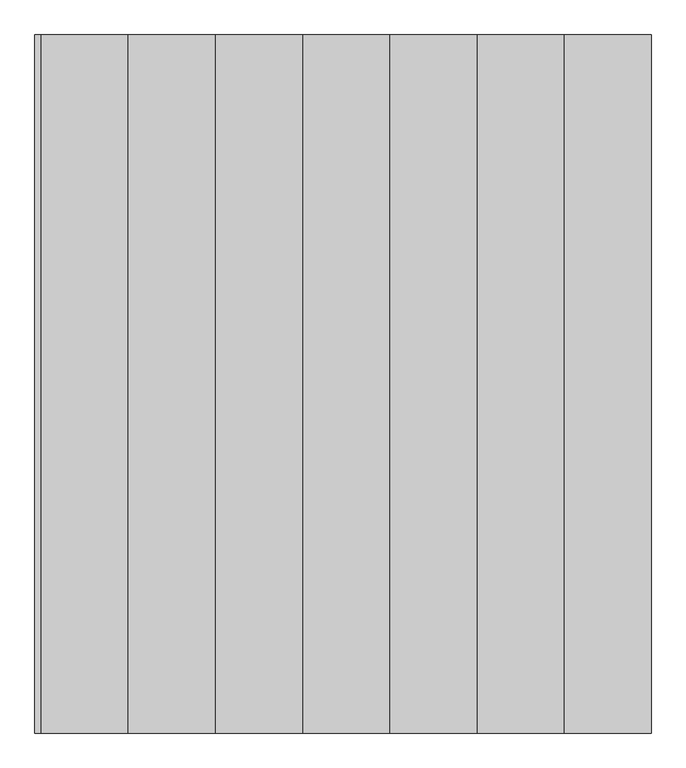
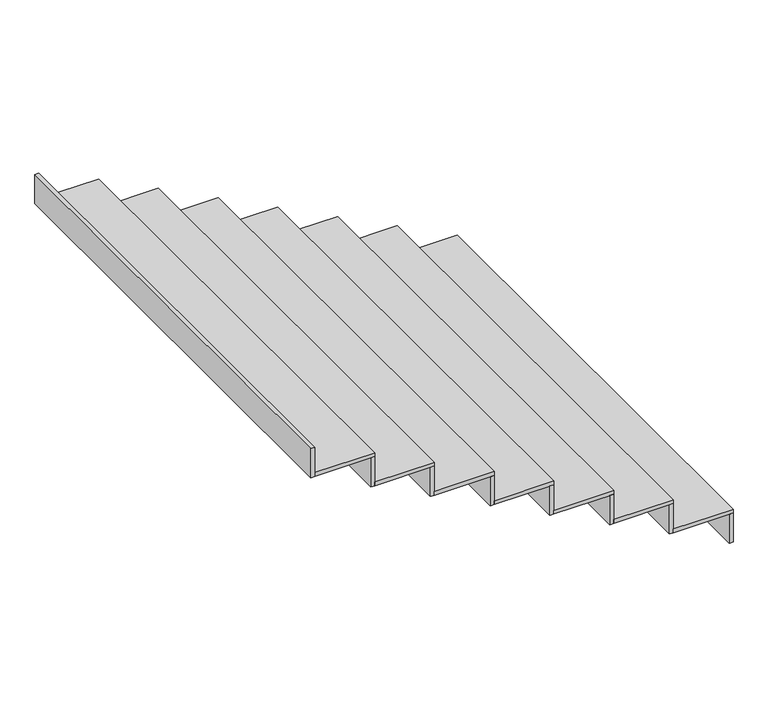
"""IFC4 building model written with IfcOpenShell, lengths in millimetres: stair flight geometry."""

from ifc_helpers import new_model, si_unit, frame, origin, place, context, project, spatial, polyline, outline, extrude, source, transform, mapped, element, save


def stair_flight_cd2ab6dc(model_context):
    return source(origin(), model_context, "Body", "SweptSolid", [
        extrude(outline(polyline([(140353.7432689, 83115.1344505), (140373.7432689, 83115.1344505), (140373.7432689, 80715.1344505), (140353.7432689, 80715.1344505), (140353.7432689, 83115.1344505)])), frame((0.0, 0.0, 5016.6923805), z_axis=(0.0, 0.0, 1.0), x_axis=(1.0, 0.0, 0.0)), (0.0, 0.0, 1.0), 154.8736167),
        extrude(outline(polyline([(140073.7432689, 80715.1344505), (140073.7432689, 83115.1344505), (140373.7432689, 83115.1344505), (140373.7432689, 80715.1344505), (140073.7432689, 80715.1344505)])), frame((0.0, 0.0, 5171.5659972), z_axis=(0.0, 0.0, 1.0), x_axis=(1.0, 0.0, 0.0)), (0.0, 0.0, 1.0), 20.0),
        extrude(outline(polyline([(140053.7432689, 83115.1344505), (140073.7432689, 83115.1344505), (140073.7432689, 80715.1344505), (140053.7432689, 80715.1344505), (140053.7432689, 83115.1344505)])), frame((0.0, 0.0, 5171.5659972), z_axis=(0.0, 0.0, 1.0), x_axis=(1.0, 0.0, 0.0)), (0.0, 0.0, 1.0), 154.8736167),
        extrude(outline(polyline([(139773.7432689, 80715.1344505), (139773.7432689, 83115.1344505), (140073.7432689, 83115.1344505), (140073.7432689, 80715.1344505), (139773.7432689, 80715.1344505)])), frame((0.0, 0.0, 5326.4396139), z_axis=(0.0, 0.0, 1.0), x_axis=(1.0, 0.0, 0.0)), (0.0, 0.0, 1.0), 20.0),
        extrude(outline(polyline([(139753.7432689, 83115.1344505), (139773.7432689, 83115.1344505), (139773.7432689, 80715.1344505), (139753.7432689, 80715.1344505), (139753.7432689, 83115.1344505)])), frame((0.0, 0.0, 5326.4396139), z_axis=(0.0, 0.0, 1.0), x_axis=(1.0, 0.0, 0.0)), (0.0, 0.0, 1.0), 154.8736167),
        extrude(outline(polyline([(139473.7432689, 80715.1344505), (139473.7432689, 83115.1344505), (139773.7432689, 83115.1344505), (139773.7432689, 80715.1344505), (139473.7432689, 80715.1344505)])), frame((0.0, 0.0, 5481.3132306), z_axis=(0.0, 0.0, 1.0), x_axis=(1.0, 0.0, 0.0)), (0.0, 0.0, 1.0), 20.0),
        extrude(outline(polyline([(139453.7432689, 83115.1344505), (139473.7432689, 83115.1344505), (139473.7432689, 80715.1344505), (139453.7432689, 80715.1344505), (139453.7432689, 83115.1344505)])), frame((0.0, 0.0, 5481.3132306), z_axis=(0.0, 0.0, 1.0), x_axis=(1.0, 0.0, 0.0)), (0.0, 0.0, 1.0), 154.8736167),
        extrude(outline(polyline([(139173.7432689, 80715.1344505), (139173.7432689, 83115.1344505), (139473.7432689, 83115.1344505), (139473.7432689, 80715.1344505), (139173.7432689, 80715.1344505)])), frame((0.0, 0.0, 5636.1868473), z_axis=(0.0, 0.0, 1.0), x_axis=(1.0, 0.0, 0.0)), (0.0, 0.0, 1.0), 20.0),
        extrude(outline(polyline([(139153.7432689, 83115.1344505), (139173.7432689, 83115.1344505), (139173.7432689, 80715.1344505), (139153.7432689, 80715.1344505), (139153.7432689, 83115.1344505)])), frame((0.0, 0.0, 5636.1868473), z_axis=(0.0, 0.0, 1.0), x_axis=(1.0, 0.0, 0.0)), (0.0, 0.0, 1.0), 154.8736167),
        extrude(outline(polyline([(138873.7432689, 80715.1344505), (138873.7432689, 83115.1344505), (139173.7432689, 83115.1344505), (139173.7432689, 80715.1344505), (138873.7432689, 80715.1344505)])), frame((0.0, 0.0, 5791.0604639), z_axis=(0.0, 0.0, 1.0), x_axis=(1.0, 0.0, 0.0)), (0.0, 0.0, 1.0), 20.0),
        extrude(outline(polyline([(138853.7432689, 83115.1344505), (138873.7432689, 83115.1344505), (138873.7432689, 80715.1344505), (138853.7432689, 80715.1344505), (138853.7432689, 83115.1344505)])), frame((0.0, 0.0, 5791.0604639), z_axis=(0.0, 0.0, 1.0), x_axis=(1.0, 0.0, 0.0)), (0.0, 0.0, 1.0), 154.8736167),
        extrude(outline(polyline([(138573.7432689, 80715.1344505), (138573.7432689, 83115.1344505), (138873.7432689, 83115.1344505), (138873.7432689, 80715.1344505), (138573.7432689, 80715.1344505)])), frame((0.0, 0.0, 5945.9340806), z_axis=(0.0, 0.0, 1.0), x_axis=(1.0, 0.0, 0.0)), (0.0, 0.0, 1.0), 20.0),
        extrude(outline(polyline([(138553.7432689, 83115.1344505), (138573.7432689, 83115.1344505), (138573.7432689, 80715.1344505), (138553.7432689, 80715.1344505), (138553.7432689, 83115.1344505)])), frame((0.0, 0.0, 5945.9340806), z_axis=(0.0, 0.0, 1.0), x_axis=(1.0, 0.0, 0.0)), (0.0, 0.0, 1.0), 154.8736167),
        extrude(outline(polyline([(138253.7432689, 83115.1344505), (138273.7432689, 83115.1344505), (138273.7432689, 80715.1344505), (138253.7432689, 80715.1344505), (138253.7432689, 83115.1344505)])), frame((0.0, 0.0, 6100.8076973), z_axis=(0.0, 0.0, 1.0), x_axis=(1.0, 0.0, 0.0)), (0.0, 0.0, 1.0), 154.8736167),
        extrude(outline(polyline([(138273.7432689, 80715.1344505), (138273.7432689, 83115.1344505), (138573.7432689, 83115.1344505), (138573.7432689, 80715.1344505), (138273.7432689, 80715.1344505)])), frame((0.0, 0.0, 6100.8076973), z_axis=(0.0, 0.0, 1.0), x_axis=(1.0, 0.0, 0.0)), (0.0, 0.0, 1.0), 20.0),
    ])


if __name__ == "__main__":
    model = new_model("IFC4")
    model_context = context("Model", 3, world=origin())
    ifc_project = project(units=[si_unit("LENGTHUNIT", "METRE", prefix="MILLI")], contexts=[model_context])
    site = spatial("IfcSite", under=ifc_project)
    building = spatial("IfcBuilding", under=site)
    placement = place(None, origin())
    stair_flight_shape = stair_flight_cd2ab6dc(model_context)
    element("IfcStairFlight", 1, at=placement, inside=building, context=model_context, shape_type="MappedRepresentation", body=[
        mapped(stair_flight_shape, transform((0.0, 0.0, 0.0), x_axis=(1.0, 0.0, 0.0), y_axis=(0.0, 1.0, 0.0), z_axis=(0.0, 0.0, 1.0))),
    ])
    save(model, "model.ifc")
